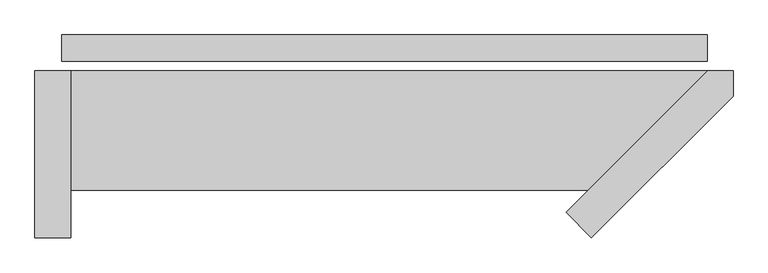
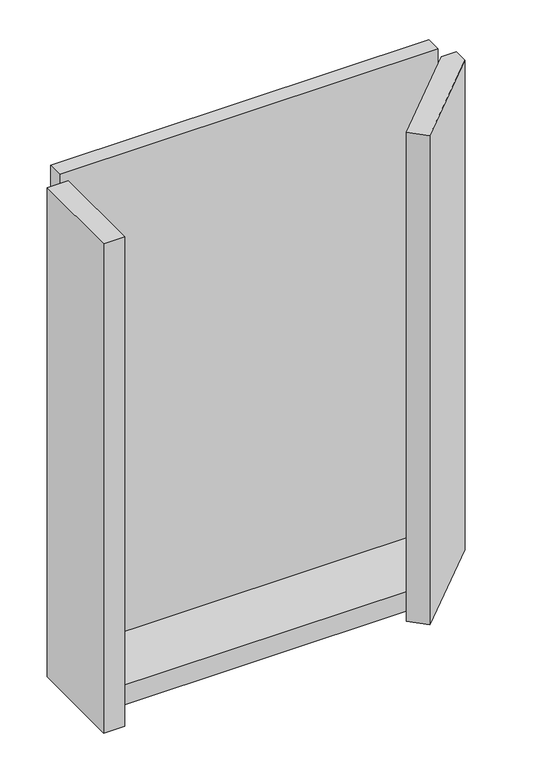
"""IFC4 building model written with IfcOpenShell, lengths in millimetres: plate geometry."""

from ifc_helpers import new_model, si_unit, frame, origin, origin_with_axes, place, context, project, spatial, polyline, outline, extrude, source, transform, mapped, element, save


def plate_19b140e4(model_context):
    return source(origin(), model_context, "Body", "SweptSolid", [
        extrude(outline(polyline([(541.0, 0.0), (541.0, -44.0), (-541.0, -44.0), (-541.0, 0.0), (541.0, 0.0)])), origin_with_axes(), (0.0, 0.0, 1.0), 1447.534293),
        extrude(outline(polyline([(304.0, -297.5735931), (541.5735931, -60.0), (584.0, -60.0), (584.0, -102.4264069), (346.4264069, -340.0), (304.0, -297.5735931)])), frame((0.0, 0.0, -45.0), z_axis=(0.0, 0.0, 1.0), x_axis=(1.0, 0.0, 0.0)), (0.0, 0.0, 1.0), 1477.534293),
        extrude(outline(polyline([(-526.0, -260.0), (-526.0, -60.0), (541.5735931, -60.0), (341.5735931, -260.0), (-526.0, -260.0)])), frame((0.0, 0.0, -45.0), z_axis=(0.0, 0.0, 1.0), x_axis=(1.0, 0.0, 0.0)), (0.0, 0.0, 1.0), 60.0),
        extrude(outline(polyline([(-586.0, -60.0), (-526.0, -60.0), (-526.0, -340.0), (-586.0, -340.0), (-586.0, -60.0)])), frame((0.0, 0.0, -45.0), z_axis=(0.0, 0.0, 1.0), x_axis=(1.0, 0.0, 0.0)), (0.0, 0.0, 1.0), 1477.534293),
    ])


if __name__ == "__main__":
    model = new_model("IFC4")
    model_context = context("Model", 3, world=origin())
    ifc_project = project(units=[si_unit("LENGTHUNIT", "METRE", prefix="MILLI")], contexts=[model_context])
    site = spatial("IfcSite", under=ifc_project)
    building = spatial("IfcBuilding", under=site)
    placement = place(None, origin())
    plate_shape = plate_19b140e4(model_context)
    element("IfcPlate", 1, at=placement, inside=building, context=model_context, shape_type="MappedRepresentation", body=[
        mapped(plate_shape, transform((0.0, 0.0, 0.0), x_axis=(1.0, 0.0, 0.0), y_axis=(0.0, 1.0, 0.0), z_axis=(0.0, 0.0, 1.0))),
    ])
    save(model, "model.ifc")
